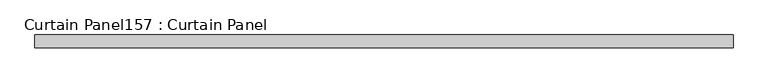
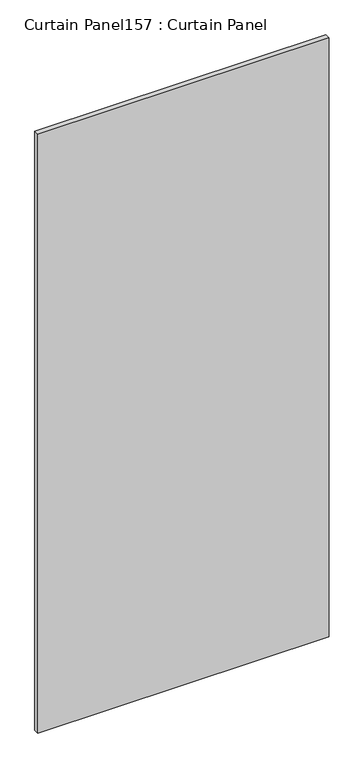
"""IFC4 building model written with IfcOpenShell, lengths in millimetres: plate geometry, Curtain Panel157 : Curtain Panel."""

from ifc_helpers import new_model, si_unit, frame, origin, place, context, project, spatial, polyline, outline, extrude, source, transform, mapped, element, save


def curtain_panel157_curtain_panel_1f01ce39(model_context):
    return source(origin(), model_context, "Body", "SweptSolid", [
        extrude(outline(polyline([(426855.0312536, 2203.7839321), (425451.9186173, 2203.7839321), (425451.9186173, 2229.1839321), (426855.0312536, 2229.1839321), (426855.0312536, 2203.7839321)])), frame((0.0, 0.0, 7019.7548754), z_axis=(0.0, 0.0, 1.0), x_axis=(1.0, 0.0, 0.0)), (0.0, 0.0, 1.0), 3048.0),
    ])


if __name__ == "__main__":
    model = new_model("IFC4")
    model_context = context("Model", 3, world=origin())
    ifc_project = project(units=[si_unit("LENGTHUNIT", "METRE", prefix="MILLI")], contexts=[model_context])
    site = spatial("IfcSite", under=ifc_project)
    building = spatial("IfcBuilding", under=site)
    placement = place(None, origin())
    curtain_panel157_curtain_panel_shape = curtain_panel157_curtain_panel_1f01ce39(model_context)
    element("IfcPlate", 1, ObjectType="Curtain Panel157 : Curtain Panel", at=placement, inside=building, context=model_context, shape_type="MappedRepresentation", body=[
        mapped(curtain_panel157_curtain_panel_shape, transform((0.0, 0.0, 0.0), x_axis=(1.0, 0.0, 0.0), y_axis=(0.0, 1.0, 0.0), z_axis=(0.0, 0.0, 1.0))),
    ])
    save(model, "model.ifc")
